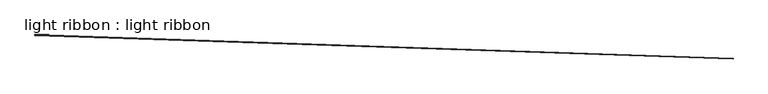
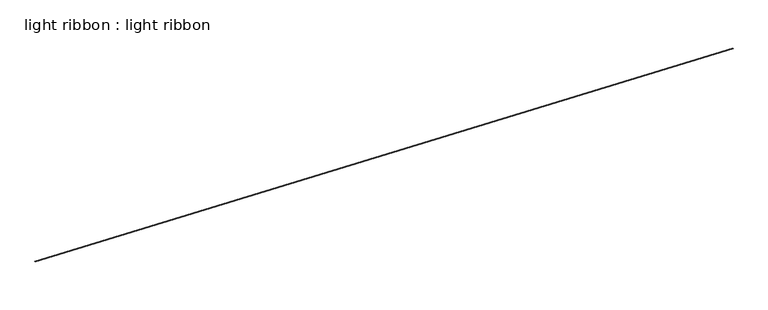
"""IFC4 building model written with IfcOpenShell, lengths in millimetres: proxy geometry, light ribbon : light ribbon."""

from ifc_helpers import new_model, si_unit, frame, origin, place, context, project, spatial, polyline, outline, extrude, source, transform, mapped, element, save


def light_ribbon_light_ribbon_99a37797(model_context):
    return source(origin(), model_context, "Body", "SweptSolid", [
        extrude(outline(polyline([(0.0, 0.0), (-0.0016253, -15.984375), (-2.3188315, -15.9843749), (-2.3172062, -1e-07), (0.0, 0.0)])), frame((34371.6239805, -14972.3017736, 4248.0451354), z_axis=(-0.9994149479194961, 0.034201781752868324, 0.0), x_axis=(-0.0029808699769775186, -0.08710440978995024, 0.9961947280573837)), (0.0, 0.0, 1.0), 17068.8),
    ])


if __name__ == "__main__":
    model = new_model("IFC4")
    model_context = context("Model", 3, world=origin())
    ifc_project = project(units=[si_unit("LENGTHUNIT", "METRE", prefix="MILLI")], contexts=[model_context])
    site = spatial("IfcSite", under=ifc_project)
    building = spatial("IfcBuilding", under=site)
    placement = place(None, origin())
    light_ribbon_light_ribbon_shape = light_ribbon_light_ribbon_99a37797(model_context)
    element("IfcBuildingElementProxy", 1, Name="light ribbon : light ribbon", ObjectType="light ribbon : light ribbon", at=placement, inside=building, context=model_context, shape_type="MappedRepresentation", body=[
        mapped(light_ribbon_light_ribbon_shape, transform((0.0, 0.0, 0.0), x_axis=(1.0, 0.0, 0.0), y_axis=(0.0, 1.0, 0.0), z_axis=(0.0, 0.0, 1.0))),
    ])
    save(model, "model.ifc")
